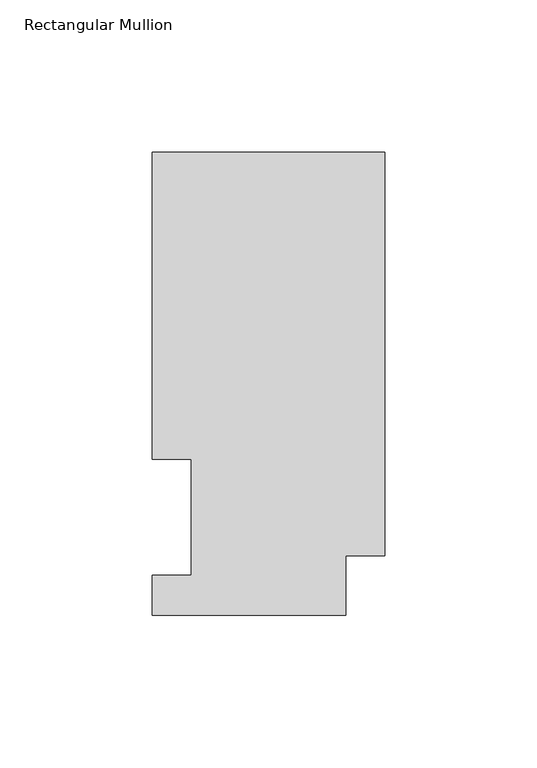
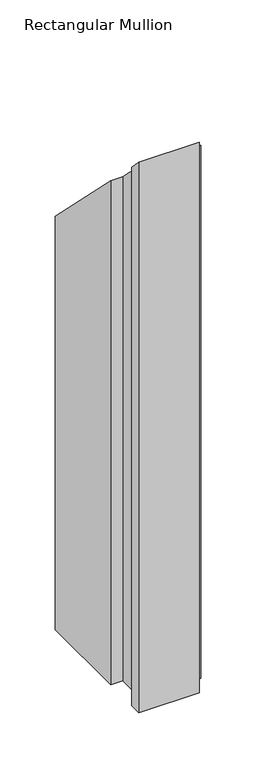
"""IFC4 building model written with IfcOpenShell, lengths in millimetres: member geometry, Rectangular Mullion."""

from ifc_helpers import new_model, si_unit, origin, place, context, project, spatial, faceted_brep, source, transform, mapped, element, save


def rectangular_mullion_0b431d55(model_context):
    return source(origin(), model_context, "Body", "Brep", [
        faceted_brep([(-76.2000004, 151.9054938, -609.6), (0.0, 151.9054938, -609.6), (0.0, 19.5460937, -609.6), (-12.7000004, 19.5460937, -609.6), (-12.7000004, 0.0134937, -609.6), (-76.1943324, 0.0134937, -609.6), (-76.1943324, 13.1960937, -609.6), (-63.4943324, 13.1960937, -609.6), (-63.4943324, 51.2960937, -609.6), (-76.2000004, 51.2960938, -609.6), (-76.2000004, 51.2960938, -51.2960937), (-76.2000004, 151.9054938, -151.9054938), (-63.4943324, 51.2960937, -51.2960937), (-63.4943324, 13.1960937, -13.1960937), (-76.1943324, 13.1960937, -13.1960937), (-76.1943324, 0.0134937, -0.0134937), (-12.7000004, 0.0134937, -0.0134937), (-12.7000004, 19.5460937, -19.5460937), (0.0, 19.5460937, -19.5460937), (0.0, 151.9054938, -151.9054938)], [[[0, 1, 2, 3, 4, 5, 6, 7, 8, 9]], [[10, 11, 0, 9]], [[12, 10, 9, 8]], [[13, 12, 8, 7]], [[14, 13, 7, 6]], [[15, 14, 6, 5]], [[16, 15, 5, 4]], [[17, 16, 4, 3]], [[18, 17, 3, 2]], [[19, 18, 2, 1]], [[11, 19, 1, 0]], [[11, 10, 12, 13, 14, 15, 16, 17, 18, 19]]]),
    ])


if __name__ == "__main__":
    model = new_model("IFC4")
    model_context = context("Model", 3, world=origin())
    ifc_project = project(units=[si_unit("LENGTHUNIT", "METRE", prefix="MILLI")], contexts=[model_context])
    site = spatial("IfcSite", under=ifc_project)
    building = spatial("IfcBuilding", under=site)
    placement = place(None, origin())
    rectangular_mullion_shape = rectangular_mullion_0b431d55(model_context)
    element("IfcMember", 1, ObjectType="Rectangular Mullion", at=placement, inside=building, context=model_context, shape_type="MappedRepresentation", body=[
        mapped(rectangular_mullion_shape, transform((0.0, 0.0, 0.0), x_axis=(1.0, 0.0, 0.0), y_axis=(0.0, 1.0, 0.0), z_axis=(0.0, 0.0, 1.0))),
    ])
    save(model, "model.ifc")
